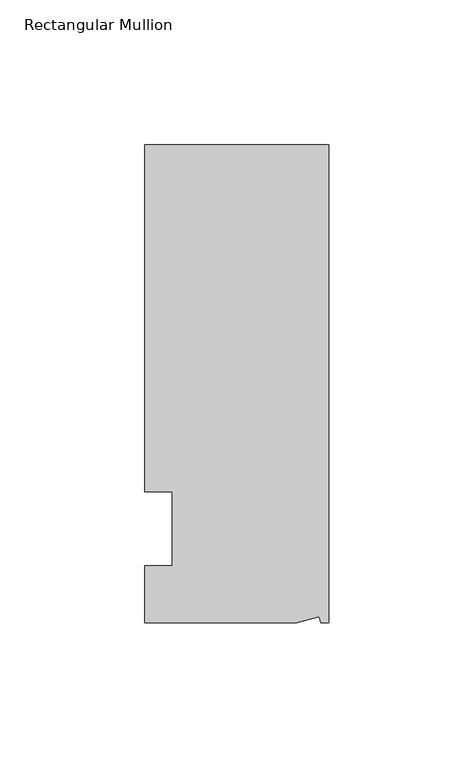
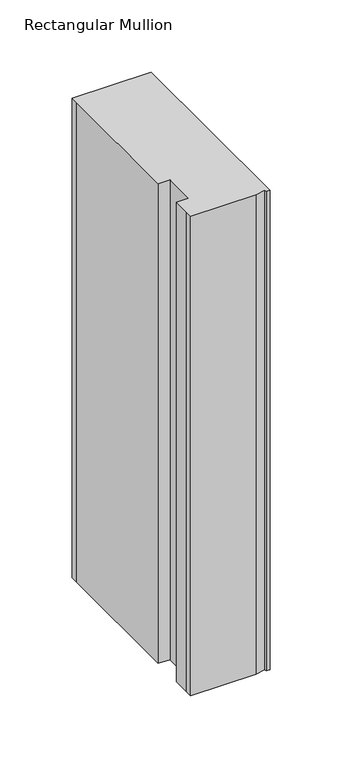
"""IFC4 building model written with IfcOpenShell, lengths in millimetres: member geometry, Rectangular Mullion."""

from ifc_helpers import new_model, si_unit, origin, place, context, project, spatial, faceted_brep, source, transform, mapped, element, save


def rectangular_mullion_48c36a36(model_context):
    return source(origin(), model_context, "Body", "Brep", [
        faceted_brep([(0.0, 132.5561012, 0.0), (-63.5, 132.5561012, 0.0), (-63.5, 126.2061012, 0.0), (-63.5, 12.8488281, 0.0), (-53.975, 12.8488281, 0.0), (-53.975, -12.7, 0.0), (-63.5, -12.7, 0.0), (-63.5, -26.1938988, 0.0), (-63.5076469, -32.5438988, 0.0), (-11.1125, -32.5438988, 0.0), (-3.3223696, -30.4565397, 0.0), (-2.7630634, -32.5438988, 0.0), (0.0, -32.5438988, 0.0), (0.0, 132.5561012, -406.4), (0.0, -32.5438988, -406.4), (-2.7630634, -32.5438988, -406.4), (-3.3223696, -30.4565397, -406.4), (-11.1125, -32.5438988, -406.4), (-63.5076469, -32.5438988, -406.4), (-63.5076469, -26.1938988, -406.4), (-63.5, -12.7, -406.4), (-53.975, -12.7, -406.4), (-53.975, 12.8488281, -406.4), (-63.5, 12.8488281, -406.4), (-63.5, 126.2061012, -406.4), (-63.5, 132.5561012, -406.4)], [[[0, 1, 2, 3, 4, 5, 6, 7, 8, 9, 10, 11, 12]], [[13, 14, 15, 16, 17, 18, 19, 20, 21, 22, 23, 24, 25]], [[0, 12, 14, 13]], [[1, 0, 13, 25]], [[3, 2, 24, 23]], [[4, 3, 23, 22]], [[5, 4, 22, 21]], [[6, 5, 21, 20]], [[7, 6, 20, 19]], [[9, 8, 18, 17]], [[10, 9, 17, 16]], [[11, 10, 16, 15]], [[12, 11, 15, 14]], [[2, 1, 25, 24]], [[8, 7, 19, 18]]]),
    ])


if __name__ == "__main__":
    model = new_model("IFC4")
    model_context = context("Model", 3, world=origin())
    ifc_project = project(units=[si_unit("LENGTHUNIT", "METRE", prefix="MILLI")], contexts=[model_context])
    site = spatial("IfcSite", under=ifc_project)
    building = spatial("IfcBuilding", under=site)
    placement = place(None, origin())
    rectangular_mullion_shape = rectangular_mullion_48c36a36(model_context)
    element("IfcMember", 1, ObjectType="Rectangular Mullion", at=placement, inside=building, context=model_context, shape_type="MappedRepresentation", body=[
        mapped(rectangular_mullion_shape, transform((0.0, 0.0, 0.0), x_axis=(1.0, 0.0, 0.0), y_axis=(0.0, 1.0, 0.0), z_axis=(0.0, 0.0, 1.0))),
    ])
    save(model, "model.ifc")
